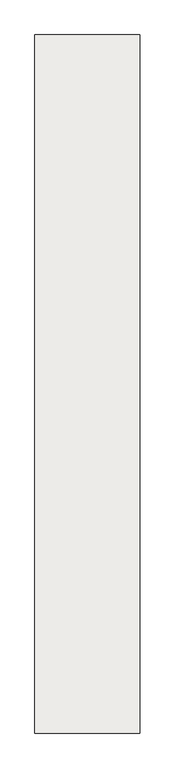
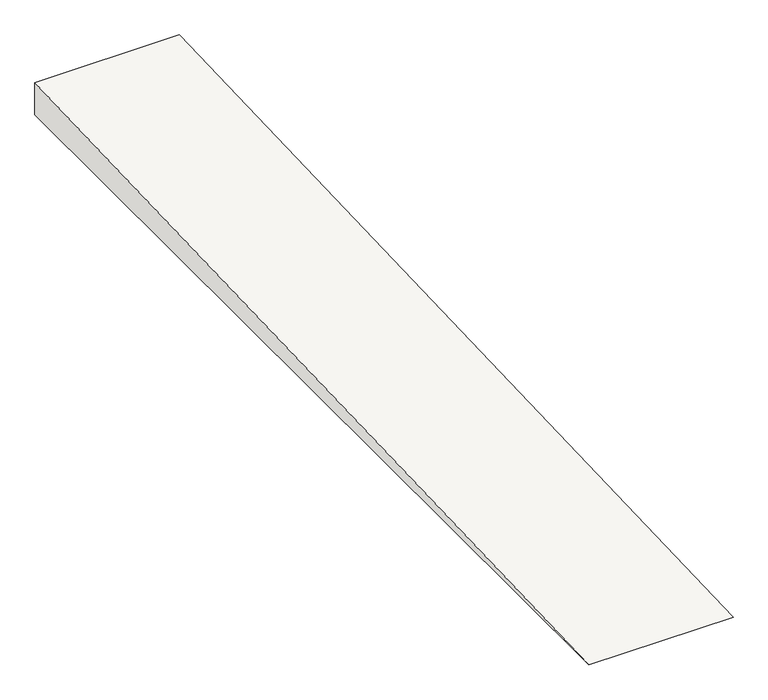
"""IFC4 building model written with IfcOpenShell, lengths in millimetres: slab geometry."""

from ifc_helpers import new_model, si_unit, frame, origin, place, context, project, spatial, polyline, outline, extrude, source, transform, mapped, element, save


def slab_7fbd9cc5(model_context):
    return source(origin(), model_context, "Body", "SweptSolid", [
        extrude(outline(polyline([(2038.5265944, -849.9787414), (2038.5265944, -1000.0), (-2219.2521497, -1000.0), (2038.5265944, -849.9787414)])), frame((-765.844303, 0.0, 0.0), z_axis=(1.0, 0.0, 0.0), x_axis=(0.0, 1.0, 0.0)), (0.0, 0.0, 1.0), 640.0),
    ])


if __name__ == "__main__":
    model = new_model("IFC4")
    model_context = context("Model", 3, world=origin())
    ifc_project = project(units=[si_unit("LENGTHUNIT", "METRE", prefix="MILLI")], contexts=[model_context])
    site = spatial("IfcSite", under=ifc_project)
    building = spatial("IfcBuilding", under=site)
    placement = place(None, origin())
    slab_shape = slab_7fbd9cc5(model_context)
    element("IfcSlab", 1, at=placement, inside=building, context=model_context, shape_type="MappedRepresentation", body=[
        mapped(slab_shape, transform((0.0, 0.0, 0.0), x_axis=(1.0, 0.0, 0.0), y_axis=(0.0, 1.0, 0.0), z_axis=(0.0, 0.0, 1.0))),
    ])
    save(model, "model.ifc")
